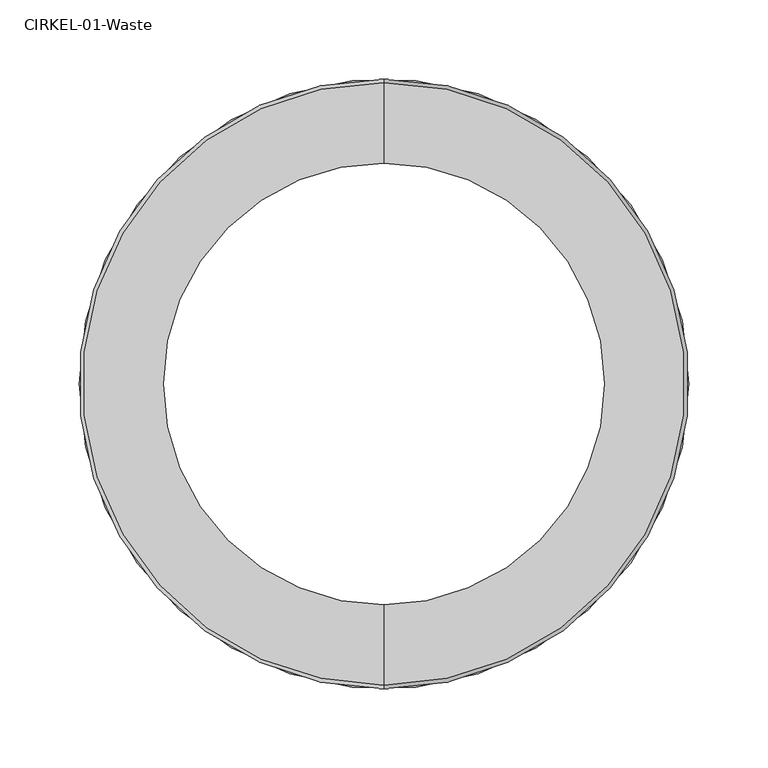
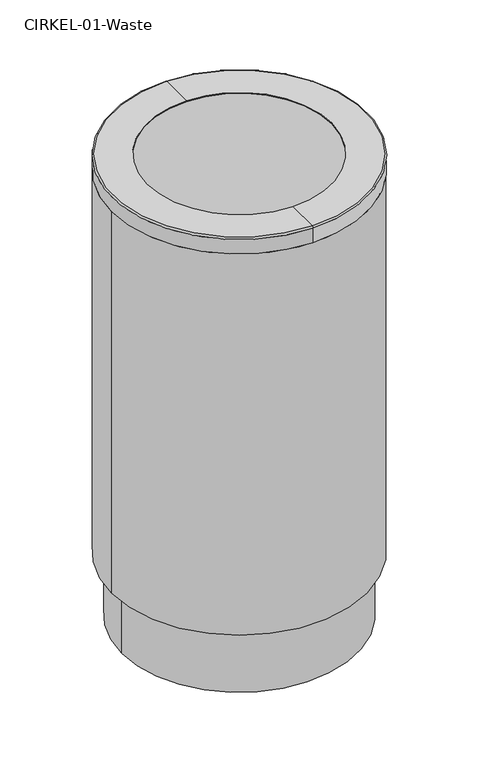
"""IFC4 building model written with IfcOpenShell, lengths in millimetres: furniture geometry, CIRKEL-01-Waste."""

from ifc_helpers import new_model, si_unit, point, frame, origin, origin_with_axes, origin_2d, place, context, project, spatial, polyline, circle_curve, ellipse_curve, trimmed, segment, composite_curve, outline, extrude, source, transform, mapped, element, save
from ifc_brep_helpers import plane_surface, cylinder_surface, revolved_surface, advanced_brep


def cirkel_01_waste_2cbe1802(model_context):
    return source(origin(), model_context, "Body", "SolidModel", [
        advanced_brep(
        [(0.0, 190.47206, 736.49586), (0.0, -190.47206, 736.49586), (0.0, -139.67968, 736.49586), (-139.67968, 0.0, 736.49586), (0.0, 139.67968, 736.49586), (139.67968, 0.0, 736.49586), (0.0, -191.26708, 734.97694), (0.0, 191.26708, 734.97694), (0.0, 139.67968, 734.97694), (-139.67968, 0.0, 734.97694), (0.0, -139.67968, 734.97694), (139.67968, 0.0, 734.97694), (0.0, -191.26708, 711.0984), (0.0, 191.26708, 711.0984), (0.0, -192.786, 711.0984), (0.0, 192.786, 711.0984), (0.0, -192.786, 734.18192), (0.0, 192.786, 734.18192)],
        [
            (0, 1, circle_curve(frame((0.0, 0.0, 736.49586), z_axis=(0.0, 0.0, 1.0), x_axis=(0.0, 1.0, 0.0)), 190.47206)),
            (1, 2),
            (2, 3, circle_curve(frame((0.0, 0.0, 736.49586), z_axis=(0.0, 0.0, -1.0), x_axis=(1.0, 0.0, 0.0)), 139.67968)),
            (3, 4, circle_curve(frame((0.0, 0.0, 736.49586), z_axis=(0.0, 0.0, -1.0), x_axis=(1.0, 0.0, 0.0)), 139.67968)),
            (4, 0),
            (1, 0, circle_curve(frame((0.0, 0.0, 736.49586), z_axis=(0.0, 0.0, 1.0), x_axis=(0.0, 1.0, 0.0)), 190.47206)),
            (4, 5, circle_curve(frame((0.0, 0.0, 736.49586), z_axis=(0.0, 0.0, -1.0), x_axis=(1.0, 0.0, 0.0)), 139.67968)),
            (5, 2, circle_curve(frame((0.0, 0.0, 736.49586), z_axis=(0.0, 0.0, -1.0), x_axis=(1.0, 0.0, 0.0)), 139.67968)),
            (6, 7, circle_curve(frame((0.0, 0.0, 734.97694), z_axis=(0.0, 0.0, -1.0), x_axis=(0.0, 1.0, 0.0)), 191.26708)),
            (7, 8),
            (8, 9, circle_curve(frame((0.0, 0.0, 734.97694), z_axis=(0.0, 0.0, 1.0), x_axis=(1.0, 0.0, 0.0)), 139.67968)),
            (9, 10, circle_curve(frame((0.0, 0.0, 734.97694), z_axis=(0.0, 0.0, 1.0), x_axis=(1.0, 0.0, 0.0)), 139.67968)),
            (10, 6),
            (7, 6, circle_curve(frame((0.0, 0.0, 734.97694), z_axis=(0.0, 0.0, -1.0), x_axis=(0.0, 1.0, 0.0)), 191.26708)),
            (10, 11, circle_curve(frame((0.0, 0.0, 734.97694), z_axis=(0.0, 0.0, 1.0), x_axis=(1.0, 0.0, 0.0)), 139.67968)),
            (11, 8, circle_curve(frame((0.0, 0.0, 734.97694), z_axis=(0.0, 0.0, 1.0), x_axis=(1.0, 0.0, 0.0)), 139.67968)),
            (6, 12),
            (12, 13, circle_curve(frame((0.0, 0.0, 711.0984), z_axis=(0.0, 0.0, -1.0), x_axis=(0.0, 1.0, 0.0)), 191.26708)),
            (13, 7),
            (13, 12, circle_curve(frame((0.0, 0.0, 711.0984), z_axis=(0.0, 0.0, -1.0), x_axis=(0.0, 1.0, 0.0)), 191.26708)),
            (12, 14),
            (14, 15, circle_curve(frame((0.0, 0.0, 711.0984), z_axis=(0.0, 0.0, -1.0), x_axis=(0.0, 1.0, 0.0)), 192.786)),
            (15, 13),
            (15, 14, circle_curve(frame((0.0, 0.0, 711.0984), z_axis=(0.0, 0.0, -1.0), x_axis=(0.0, 1.0, 0.0)), 192.786)),
            (14, 16),
            (16, 17, circle_curve(frame((0.0, 0.0, 734.18192), z_axis=(0.0, 0.0, -1.0), x_axis=(0.0, 1.0, 0.0)), 192.786)),
            (17, 15),
            (17, 16, circle_curve(frame((0.0, 0.0, 734.18192), z_axis=(0.0, 0.0, -1.0), x_axis=(0.0, 1.0, 0.0)), 192.786)),
            (0, 17, circle_curve(frame((0.0, 190.47206, 734.18192), z_axis=(-1.0, 0.0, 0.0), x_axis=(0.0, 1.0, 0.0)), 2.31394)),
            (16, 1, circle_curve(frame((0.0, -190.47206, 734.18192), z_axis=(-1.0, 0.0, 0.0), x_axis=(0.0, -1.0, 0.0)), 2.31394)),
            (9, 3),
            (5, 11),
        ],
        [
            plane_surface(frame((0.0, 0.0, 736.49586), z_axis=(0.0, 0.0, 1.0), x_axis=(0.0, 1.0, 0.0))),
            plane_surface(frame((0.0, 0.0, 734.97694), z_axis=(0.0, 0.0, -1.0), x_axis=(0.0, 1.0, 0.0))),
            revolved_surface(polyline([(0.0, 191.26708, 734.97694), (0.0, 191.26708, 711.0984)]), (0.0, 0.0, 1273.315014), (0.0, 0.0, 1.0)),
            plane_surface(frame((0.0, 0.0, 711.0984), z_axis=(0.0, 0.0, -1.0), x_axis=(0.0, 1.0, 0.0))),
            cylinder_surface(frame((0.0, 0.0, 1273.315014), z_axis=(0.0, 0.0, 1.0), x_axis=(0.0, 1.0, 0.0)), 192.786),
            revolved_surface(trimmed(ellipse_curve(frame((0.0, 190.47206, 734.18192), z_axis=(1.0, 0.0, 0.0), x_axis=(0.0, 1.0, 0.0)), 2.31394, 2.31394), [point((0.0, 192.786, 734.18192))], [point((0.0, 190.47206, 736.49586))], True, "CARTESIAN"), (0.0, 0.0, 1273.315014), (0.0, 0.0, 1.0)),
            revolved_surface(polyline([(139.67968, 0.0, 736.49586), (139.67968, 0.0, 734.97694)]), (0.0, 0.0, 733.6658909), (0.0, 0.0, 1.0)),
        ],
        [
            (0, [[1, 2, 3, 4, 5]]),
            (0, [[6, -5, 7, 8, -2]]),
            (1, [[9, 10, 11, 12, 13]]),
            (1, [[14, -13, 15, 16, -10]]),
            (2, [[-9, 17, 18, 19]]),
            (2, [[-14, -19, 20, -17]]),
            (3, [[-18, 21, 22, 23]]),
            (3, [[-20, -23, 24, -21]]),
            (4, [[-22, 25, 26, 27]]),
            (4, [[-24, -27, 28, -25]]),
            (5, [[-1, 29, -26, 30]]),
            (5, [[-6, -30, -28, -29]]),
            (6, [[31, -3, -8, 32, -15, -12]]),
            (6, [[-31, -11, -16, -32, -7, -4]]),
        ],
    ),
        extrude(outline(composite_curve([segment(trimmed(circle_curve(origin_2d(), 192.78346), [point((-192.78346, 0.0))], [point((192.78346, 0.0))], False, "CARTESIAN"), True, "CONTINUOUS"), segment(trimmed(circle_curve(origin_2d(), 192.78346), [point((192.78346, 0.0))], [point((-192.78346, 0.0))], False, "CARTESIAN"), True, "CONTINUOUS")], self_intersect=False), holes=[composite_curve([segment(trimmed(circle_curve(origin_2d(), 191.56934), [point((-191.56934, 0.0))], [point((191.56934, 0.0))], True, "CARTESIAN"), True, "CONTINUOUS"), segment(trimmed(circle_curve(origin_2d(), 191.56934), [point((191.56934, 0.0))], [point((-191.56934, 0.0))], True, "CARTESIAN"), True, "CONTINUOUS")], self_intersect=False)]), frame((0.0, 0.0, 101.58476), z_axis=(0.0, 0.0, 1.0), x_axis=(1.0, 0.0, 0.0)), (0.0, 0.0, 1.0), 609.51364),
        extrude(outline(composite_curve([segment(trimmed(circle_curve(origin_2d(), 177.7746), [point((-177.7746, 0.0))], [point((177.7746, 0.0))], False, "CARTESIAN"), True, "CONTINUOUS"), segment(trimmed(circle_curve(origin_2d(), 177.7746), [point((177.7746, 0.0))], [point((-177.7746, 0.0))], False, "CARTESIAN"), True, "CONTINUOUS")], self_intersect=False), holes=[composite_curve([segment(trimmed(circle_curve(origin_2d(), 175.11776), [point((-175.11776, 0.0))], [point((175.11776, 0.0))], True, "CARTESIAN"), True, "CONTINUOUS"), segment(trimmed(circle_curve(origin_2d(), 175.11776), [point((175.11776, 0.0))], [point((-175.11776, 0.0))], True, "CARTESIAN"), True, "CONTINUOUS")], self_intersect=False)]), origin_with_axes(), (0.0, 0.0, 1.0), 107.93476),
    ])


if __name__ == "__main__":
    model = new_model("IFC4")
    model_context = context("Model", 3, world=origin())
    ifc_project = project(units=[si_unit("LENGTHUNIT", "METRE", prefix="MILLI")], contexts=[model_context])
    site = spatial("IfcSite", under=ifc_project)
    building = spatial("IfcBuilding", under=site)
    placement = place(None, origin())
    cirkel_01_waste_shape = cirkel_01_waste_2cbe1802(model_context)
    element("IfcFurniture", 1, ObjectType="CIRKEL-01-Waste", at=placement, inside=building, context=model_context, shape_type="MappedRepresentation", body=[
        mapped(cirkel_01_waste_shape, transform((0.0, 0.0, 0.0), x_axis=(1.0, 0.0, 0.0), y_axis=(0.0, 1.0, 0.0), z_axis=(0.0, 0.0, 1.0))),
    ])
    save(model, "model.ifc")
